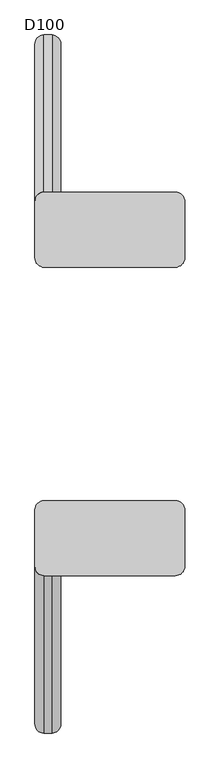
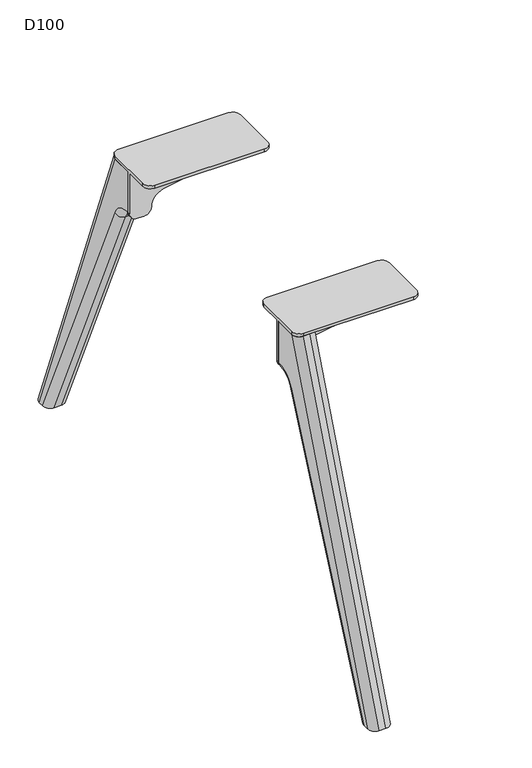
"""IFC4 building model written with IfcOpenShell, lengths in millimetres: furniture geometry, D100."""

from ifc_helpers import new_model, si_unit, point, frame, origin, place, context, project, spatial, polyline, circle_curve, ellipse_curve, trimmed, source, transform, mapped, element, save
from ifc_brep_helpers import plane_surface, cylinder_surface, revolved_surface, advanced_brep


def d100_ec76388d(model_context):
    return source(origin(), model_context, "Body", "AdvancedBrep", [
        advanced_brep(
        [(-2083.0, 202.7236545, 706.0), (-1855.0, 202.7236545, 706.0), (-1839.0, 218.7236545, 706.0), (-1839.0, 316.7236545, 706.0), (-1855.0, 332.7236545, 706.0), (-2083.0, 332.7236545, 706.0), (-2099.0, 316.7236545, 706.0), (-2099.0, 218.7236545, 706.0), (-2099.0, 316.7236545, 700.0), (-2083.0, 332.7236545, 700.0), (-1855.0, 332.7236545, 700.0), (-1839.0, 316.7236545, 700.0), (-1839.0, 270.7236545, 700.0), (-2099.0, 270.7236545, 700.0), (-2083.0, 202.7236545, 700.0), (-2099.0, 218.7236545, 700.0), (-2099.0, 264.7236545, 700.0), (-1839.0, 264.7236545, 700.0), (-1839.0, 218.7236545, 700.0), (-1855.0, 202.7236545, 700.0), (-2099.0, 270.7236545, 611.0), (-2099.0, 264.7236545, 611.0), (-1839.0, 264.7236545, 692.1898324), (-1839.0, 270.7236545, 692.1898324), (-2029.2740174, 270.7236545, 641.5327762), (-2054.0036896, 270.7236545, 611.3326759), (-2069.0, 270.7236545, 596.0), (-2084.0, 270.7236545, 596.0), (-1855.4913675, 270.7236545, 672.5), (-2029.2740174, 264.7236545, 641.5327762), (-1855.4913675, 264.7236545, 672.5), (-2084.0, 264.7236545, 596.0), (-2069.0, 264.7236545, 596.0), (-2054.0036896, 264.7236545, 611.3326759)],
        [
            (0, 1),
            (1, 2, circle_curve(frame((-1855.0, 218.7236545, 706.0), z_axis=(0.0, 0.0, 1.0), x_axis=(1.0, 0.0, 0.0)), 16.0)),
            (2, 3),
            (3, 4, circle_curve(frame((-1855.0, 316.7236545, 706.0), z_axis=(0.0, 0.0, 1.0), x_axis=(1.0, 0.0, 0.0)), 16.0)),
            (4, 5),
            (5, 6, circle_curve(frame((-2083.0, 316.7236545, 706.0), z_axis=(0.0, 0.0, 1.0), x_axis=(1.0, 0.0, 0.0)), 16.0)),
            (6, 7),
            (7, 0, circle_curve(frame((-2083.0, 218.7236545, 706.0), z_axis=(0.0, 0.0, 1.0), x_axis=(1.0, 0.0, 0.0)), 16.0)),
            (8, 9, circle_curve(frame((-2083.0, 316.7236545, 700.0), z_axis=(0.0, 0.0, -1.0), x_axis=(1.0, 0.0, 0.0)), 16.0)),
            (9, 10),
            (10, 11, circle_curve(frame((-1855.0, 316.7236545, 700.0), z_axis=(0.0, 0.0, -1.0), x_axis=(1.0, 0.0, 0.0)), 16.0)),
            (11, 12),
            (12, 13),
            (13, 8),
            (14, 15, circle_curve(frame((-2083.0, 218.7236545, 700.0), z_axis=(0.0, 0.0, -1.0), x_axis=(1.0, 0.0, 0.0)), 16.0)),
            (15, 16),
            (16, 17),
            (17, 18),
            (18, 19, circle_curve(frame((-1855.0, 218.7236545, 700.0), z_axis=(0.0, 0.0, -1.0), x_axis=(1.0, 0.0, 0.0)), 16.0)),
            (19, 14),
            (7, 15),
            (14, 0),
            (6, 8),
            (13, 20),
            (20, 21),
            (21, 16),
            (5, 9),
            (4, 10),
            (3, 11),
            (2, 18),
            (17, 22),
            (22, 23),
            (23, 12),
            (1, 19),
            (24, 25, circle_curve(frame((-2024.0110687, 270.7236545, 611.9980276), z_axis=(0.0, -1.0, 0.0), x_axis=(-1.0, 0.0, 0.0)), 30.0)),
            (25, 26, circle_curve(frame((-2069.0, 270.7236545, 611.0), z_axis=(0.0, 1.0, 0.0), x_axis=(-1.0, 0.0, 0.0)), 15.0)),
            (26, 27),
            (27, 20, circle_curve(frame((-2084.0, 270.7236545, 611.0), z_axis=(0.0, 1.0, 0.0), x_axis=(-1.0, 0.0, 0.0)), 15.0)),
            (23, 28, circle_curve(frame((-1859.0, 270.7236545, 692.1898324), z_axis=(0.0, 1.0, 0.0), x_axis=(-1.0, 0.0, 0.0)), 20.0)),
            (28, 24),
            (29, 30),
            (30, 22, circle_curve(frame((-1859.0, 264.7236545, 692.1898324), z_axis=(0.0, -1.0, 0.0), x_axis=(-1.0, 0.0, 0.0)), 20.0)),
            (21, 31, circle_curve(frame((-2084.0, 264.7236545, 611.0), z_axis=(0.0, -1.0, 0.0), x_axis=(-1.0, 0.0, 0.0)), 15.0)),
            (31, 32),
            (32, 33, circle_curve(frame((-2069.0, 264.7236545, 611.0), z_axis=(0.0, -1.0, 0.0), x_axis=(-1.0, 0.0, 0.0)), 15.0)),
            (33, 29, circle_curve(frame((-2024.0110687, 264.7236545, 611.9980276), z_axis=(0.0, 1.0, 0.0), x_axis=(-1.0, 0.0, 0.0)), 30.0)),
            (24, 29),
            (33, 25),
            (30, 28),
            (32, 26),
            (31, 27),
        ],
        [
            plane_surface(frame((-1855.0, 202.7236545, 706.0), z_axis=(0.0, 0.0, 1.0), x_axis=(1.0, 0.0, 0.0))),
            plane_surface(frame((-1855.0, 202.7236545, 700.0), z_axis=(0.0, 0.0, -1.0), x_axis=(-1.0, 0.0, 0.0))),
            cylinder_surface(frame((-2083.0, 218.7236545, 700.0), z_axis=(0.0, 0.0, 1.0), x_axis=(1.0, 0.0, 0.0)), 16.0),
            plane_surface(frame((-2099.0, 316.7236545, 706.0), z_axis=(-1.0, 0.0, 0.0), x_axis=(0.0, 0.0, -1.0))),
            cylinder_surface(frame((-2083.0, 316.7236545, 700.0), z_axis=(0.0, 0.0, 1.0), x_axis=(1.0, 0.0, 0.0)), 16.0),
            plane_surface(frame((-1855.0, 332.7236545, 706.0), z_axis=(0.0, 1.0, 0.0), x_axis=(0.0, 0.0, -1.0))),
            cylinder_surface(frame((-1855.0, 316.7236545, 700.0), z_axis=(0.0, 0.0, 1.0), x_axis=(1.0, 0.0, 0.0)), 16.0),
            plane_surface(frame((-1839.0, 218.7236545, 706.0), z_axis=(1.0, 0.0, 0.0), x_axis=(0.0, 0.0, -1.0))),
            cylinder_surface(frame((-1855.0, 218.7236545, 700.0), z_axis=(0.0, 0.0, 1.0), x_axis=(1.0, 0.0, 0.0)), 16.0),
            plane_surface(frame((-2083.0, 202.7236545, 706.0), z_axis=(0.0, -1.0, 0.0), x_axis=(0.0, 0.0, -1.0))),
            plane_surface(frame((-2054.0110687, 270.7236545, 611.9980276), z_axis=(0.0, 1.0, 0.0), x_axis=(0.0, 0.0, -1.0))),
            plane_surface(frame((-2054.0110687, 264.7236545, 611.9980276), z_axis=(0.0, -1.0, 0.0), x_axis=(0.0, 0.0, 1.0))),
            revolved_surface(polyline([(-2054.0110686999997, 264.7236545, 611.9980276), (-2054.0110686999997, 270.7236545, 611.9980276)]), (-2024.0110687, 264.7236545, 611.9980276), (0.0, -1.0, 0.0)),
            cylinder_surface(frame((-1859.0, 264.7236545, 692.1898324), z_axis=(0.0, 1.0, 0.0), x_axis=(-1.0, 0.0, 0.0)), 20.0),
            plane_surface(frame((-1855.4913675, 270.7236545, 672.5), z_axis=(0.17543162299465118, 0.0, -0.984491617868564), x_axis=(0.0, -1.0, 0.0))),
            cylinder_surface(frame((-2069.0, 264.7236545, 611.0), z_axis=(0.0, 1.0, 0.0), x_axis=(-1.0, 0.0, 0.0)), 15.0),
            plane_surface(frame((-2069.0, 270.7236545, 596.0), z_axis=(0.0, 0.0, -1.0), x_axis=(0.0, -1.0, 0.0))),
            cylinder_surface(frame((-2084.0, 264.7236545, 611.0), z_axis=(0.0, 1.0, 0.0), x_axis=(-1.0, 0.0, 0.0)), 15.0),
        ],
        [
            (0, [[1, 2, 3, 4, 5, 6, 7, 8]]),
            (1, [[9, 10, 11, 12, 13, 14]]),
            (1, [[15, 16, 17, 18, 19, 20]]),
            (2, [[-8, 21, -15, 22]]),
            (3, [[-21, -7, 23, -14, 24, 25, 26, -16]]),
            (4, [[-6, 27, -9, -23]]),
            (5, [[-5, 28, -10, -27]]),
            (6, [[-4, 29, -11, -28]]),
            (7, [[-29, -3, 30, -18, 31, 32, 33, -12]]),
            (8, [[-2, 34, -19, -30]]),
            (9, [[-1, -22, -20, -34]]),
            (10, [[35, 36, 37, 38, -24, -13, -33, 39, 40]]),
            (11, [[41, 42, -31, -17, -26, 43, 44, 45, 46]]),
            (12, [[-35, 47, -46, 48]]),
            (13, [[-39, -32, -42, 49]]),
            (14, [[-40, -49, -41, -47]]),
            (15, [[-36, -48, -45, 50]]),
            (16, [[-37, -50, -44, 51]]),
            (17, [[-38, -51, -43, -25]]),
        ],
    ),
        advanced_brep(
        [(-2054.0, 316.6217076, 700.0), (-2054.0, 270.7236545, 700.0), (-2054.0, 270.7236545, 611.0), (-2054.0, 272.7758244, 611.0), (-2054.0, 319.3435487, 580.82862), (-2054.0, 579.4203292, 0.0), (-2054.0, 589.8218305, 0.0), (-2099.0, 270.7236545, 700.0), (-2099.0, 316.6217076, 700.0), (-2099.0, 589.8218305, 0.0), (-2099.0, 579.4203292, 0.0), (-2099.0, 319.3435487, 580.82862), (-2099.0, 272.7758244, 611.0), (-2099.0, 270.7236545, 611.0), (-2069.0, 332.7236545, 700.0), (-2084.0, 332.7236545, 700.0), (-2069.0, 605.9237773, 0.0), (-2084.0, 605.9237773, 0.0), (-2069.0, 562.9852524, 0.0), (-2084.0, 562.9852524, 0.0), (-2069.0, 305.6533176, 574.6985653), (-2084.0, 305.6533176, 574.6985653), (-2069.0, 272.7758244, 596.0), (-2084.0, 272.7758244, 596.0), (-2069.0, 270.7236545, 596.0), (-2084.0, 270.7236545, 596.0)],
        [
            (0, 1),
            (1, 2),
            (2, 3),
            (3, 4, circle_curve(frame((-2054.0, 272.7758244, 559.9770583), z_axis=(-1.0, 0.0, 0.0), x_axis=(0.0, 0.0, 1.0)), 51.0229417)),
            (4, 5),
            (5, 6),
            (6, 0),
            (7, 8),
            (8, 9),
            (9, 10),
            (10, 11),
            (11, 12, circle_curve(frame((-2099.0, 272.7758244, 559.9770583), z_axis=(1.0, 0.0, 0.0), x_axis=(0.0, 0.0, 1.0)), 51.0229417)),
            (12, 13),
            (13, 7),
            (7, 1),
            (0, 14, ellipse_curve(frame((-2069.0, 316.6217076, 700.0), z_axis=(0.0, 0.0, 1.0), x_axis=(0.0, -1.0, 0.0)), 16.1019468, 15.0)),
            (14, 15),
            (15, 8, ellipse_curve(frame((-2084.0, 316.6217076, 700.0), z_axis=(0.0, 0.0, 1.0), x_axis=(0.0, -1.0, 0.0)), 16.1019468, 15.0)),
            (14, 16),
            (16, 17),
            (17, 15),
            (16, 6, ellipse_curve(frame((-2069.0, 589.8218305, 0.0), z_axis=(0.0, 0.0, -1.0), x_axis=(0.0, -0.9999999999999999, 0.0)), 16.1019468, 15.0)),
            (5, 18, ellipse_curve(frame((-2069.0, 579.4203292, 0.0), z_axis=(0.0, 0.0, -1.0), x_axis=(0.0, 1.0, 0.0)), 16.4350768, 15.0)),
            (18, 19),
            (19, 10, ellipse_curve(frame((-2084.0, 579.4203292, 0.0), z_axis=(0.0, 0.0, -1.0), x_axis=(0.0, 1.0, 0.0)), 16.4350768, 15.0)),
            (9, 17, ellipse_curve(frame((-2084.0, 589.8218305, 0.0), z_axis=(0.0, 0.0, -1.0), x_axis=(0.0, -0.9999999999999999, 0.0)), 16.1019468, 15.0)),
            (18, 20),
            (20, 21),
            (21, 19),
            (20, 22, circle_curve(frame((-2069.0, 272.7758244, 559.9770583), z_axis=(1.0, 0.0, 0.0), x_axis=(0.0, -1.0, 0.0)), 36.0229417)),
            (22, 23),
            (23, 21, circle_curve(frame((-2084.0, 272.7758244, 559.9770583), z_axis=(-1.0, 0.0, 0.0), x_axis=(0.0, -1.0, 0.0)), 36.0229417)),
            (22, 24),
            (24, 25),
            (25, 23),
            (13, 25, circle_curve(frame((-2084.0, 270.7236545, 611.0), z_axis=(0.0, -1.0, 0.0), x_axis=(0.0, 0.0, 1.0)), 15.0)),
            (24, 2, circle_curve(frame((-2069.0, 270.7236545, 611.0), z_axis=(0.0, -1.0, 0.0), x_axis=(0.0, 0.0, 1.0)), 15.0)),
            (12, 23, circle_curve(frame((-2084.0, 272.7758244, 611.0), z_axis=(0.0, -1.0, 0.0), x_axis=(0.0, 0.0, 1.0)), 15.0)),
            (22, 3, circle_curve(frame((-2069.0, 272.7758244, 611.0), z_axis=(0.0, -1.0, 0.0), x_axis=(0.0, 0.0, 1.0)), 15.0)),
            (21, 11, circle_curve(frame((-2084.0, 319.3435487, 580.82862), z_axis=(0.0, 0.4086703164969099, -0.9126820763082375), x_axis=(0.0, 0.9126820763082375, 0.4086703164969099)), 15.0)),
            (4, 20, circle_curve(frame((-2069.0, 319.3435487, 580.82862), z_axis=(0.0, 0.4086703164969099, -0.9126820763082375), x_axis=(0.0, 0.9126820763082375, 0.4086703164969099)), 15.0)),
        ],
        [
            plane_surface(frame((-2054.0, 270.7236545, 596.0), z_axis=(1.0, 0.0, 0.0), x_axis=(0.0, 0.0, -1.0))),
            plane_surface(frame((-2099.0, 270.7236545, 596.0), z_axis=(-1.0, 0.0, 0.0), x_axis=(0.0, 0.0, 1.0))),
            plane_surface(frame((-2054.0, 332.7236545, 700.0), z_axis=(0.0, 0.0, 1.0), x_axis=(-1.0, 0.0, 0.0))),
            plane_surface(frame((-2054.0, 605.9237773, 0.0), z_axis=(0.0, 0.9315643722265751, 0.3635764299265108), x_axis=(-1.0, 0.0, 0.0))),
            plane_surface(frame((-2054.0, 562.9852524, 0.0), z_axis=(0.0, 0.0, -1.0), x_axis=(-1.0, 0.0, 0.0))),
            plane_surface(frame((-2054.0, 305.6533176, 574.6985653), z_axis=(0.0, -0.9126820763082374, -0.40867031649691016), x_axis=(-1.0, 0.0, 0.0))),
            revolved_surface(polyline([(-2084.0, 236.7528827, 559.9770583), (-2069.0, 236.7528827, 559.9770583)]), (-2099.0, 272.7758244, 559.9770583), (-1.0, 0.0, 0.0)),
            plane_surface(frame((-2054.0, 270.7236545, 596.0), z_axis=(0.0, 0.0, -1.0), x_axis=(-1.0, 0.0, 0.0))),
            plane_surface(frame((-2054.0, 270.7236545, 700.0), z_axis=(0.0, -1.0, 0.0), x_axis=(-1.0, 0.0, 0.0))),
            cylinder_surface(frame((-2084.0, 599.6644228, -25.2189296), z_axis=(0.0, -0.3635764299265101, 0.9315643722265754), x_axis=(0.0, -0.9315643722265754, -0.3635764299265101)), 15.0),
            cylinder_surface(frame((-2069.0, 599.6644228, -25.2189296), z_axis=(0.0, -0.3635764299265101, 0.9315643722265754), x_axis=(0.0, -0.9315643722265754, -0.3635764299265101)), 15.0),
            cylinder_surface(frame((-2084.0, -272.7758244, 611.0), z_axis=(0.0, 1.0, 0.0), x_axis=(0.0, 0.0, 1.0)), 15.0),
            cylinder_surface(frame((-2069.0, -272.7758244, 611.0), z_axis=(0.0, 1.0, 0.0), x_axis=(0.0, 0.0, 1.0)), 15.0),
            cylinder_surface(frame((-2084.0, 319.3435487, 580.82862), z_axis=(0.0, 0.4086703164969099, -0.9126820763082375), x_axis=(0.0, 0.9126820763082375, 0.4086703164969099)), 15.0),
            cylinder_surface(frame((-2069.0, 319.3435487, 580.82862), z_axis=(0.0, 0.4086703164969099, -0.9126820763082375), x_axis=(0.0, 0.9126820763082375, 0.4086703164969099)), 15.0),
            revolved_surface(trimmed(ellipse_curve(frame((-2084.0, 272.7758244, 611.0), z_axis=(0.0, -1.0, 0.0), x_axis=(0.0, 0.0, 1.0)), 15.0, 15.0), [point((-2099.0, 272.7758244, 611.0))], [point((-2084.0, 272.7758244, 596.0))], True, "CARTESIAN"), (-1317.0, 272.7758244, 559.9770583), (-1.0, 0.0, 0.0)),
            revolved_surface(trimmed(ellipse_curve(frame((-2069.0, 272.7758244, 611.0), z_axis=(0.0, -1.0, 0.0), x_axis=(0.0, 0.0, 1.0)), 15.0, 15.0), [point((-2069.0, 272.7758244, 596.0))], [point((-2054.0, 272.7758244, 611.0))], True, "CARTESIAN"), (-1317.0, 272.7758244, 559.9770583), (-1.0, 0.0, 0.0)),
        ],
        [
            (0, [[1, 2, 3, 4, 5, 6, 7]]),
            (1, [[8, 9, 10, 11, 12, 13, 14]]),
            (2, [[15, -1, 16, 17, 18, -8]]),
            (3, [[-17, 19, 20, 21]]),
            (4, [[-20, 22, -6, 23, 24, 25, -10, 26]]),
            (5, [[-24, 27, 28, 29]]),
            (6, [[-28, 30, 31, 32]]),
            (7, [[-31, 33, 34, 35]]),
            (8, [[-15, -14, 36, -34, 37, -2]]),
            (9, [[-9, -18, -21, -26]]),
            (10, [[-7, -22, -19, -16]]),
            (11, [[38, -35, -36, -13]]),
            (12, [[39, -3, -37, -33]]),
            (13, [[40, -11, -25, -29]]),
            (14, [[41, -27, -23, -5]]),
            (15, [[-38, -12, -40, -32]]),
            (16, [[-39, -30, -41, -4]]),
        ],
    ),
        advanced_brep(
        [(-2029.2740174, -270.7236545, 641.5327762), (-1855.4913675, -270.7236545, 672.5), (-1839.0, -270.7236545, 692.1898324), (-1839.0, -270.7236545, 700.0), (-2099.0, -270.7236545, 700.0), (-2099.0, -270.7236545, 611.0), (-2084.0, -270.7236545, 596.0), (-2069.0, -270.7236545, 596.0), (-2054.0036896, -270.7236545, 611.3326759), (-2029.2740174, -264.7236545, 641.5327762), (-2054.0036896, -264.7236545, 611.3326759), (-2069.0, -264.7236545, 596.0), (-2084.0, -264.7236545, 596.0), (-2099.0, -264.7236545, 611.0), (-2099.0, -264.7236545, 700.0), (-1839.0, -264.7236545, 700.0), (-1839.0, -264.7236545, 692.1898324), (-1855.4913675, -264.7236545, 672.5), (-2099.0, -218.7236545, 706.0), (-2099.0, -218.7236545, 700.0), (-2099.0, -316.7236545, 700.0), (-2099.0, -316.7236545, 706.0), (-2083.0, -332.7236545, 706.0), (-1855.0, -332.7236545, 706.0), (-1839.0, -316.7236545, 706.0), (-1839.0, -218.7236545, 706.0), (-1855.0, -202.7236545, 706.0), (-2083.0, -202.7236545, 706.0), (-1839.0, -316.7236545, 700.0), (-1839.0, -218.7236545, 700.0), (-2083.0, -202.7236545, 700.0), (-1855.0, -202.7236545, 700.0), (-1855.0, -332.7236545, 700.0), (-2083.0, -332.7236545, 700.0)],
        [
            (0, 1),
            (1, 2, circle_curve(frame((-1859.0, -270.7236545, 692.1898324), z_axis=(0.0, -1.0, 0.0), x_axis=(-1.0, 0.0, 0.0)), 20.0)),
            (2, 3),
            (3, 4),
            (4, 5),
            (5, 6, circle_curve(frame((-2084.0, -270.7236545, 611.0), z_axis=(0.0, -1.0, 0.0), x_axis=(-1.0, 0.0, 0.0)), 15.0)),
            (6, 7),
            (7, 8, circle_curve(frame((-2069.0, -270.7236545, 611.0), z_axis=(0.0, -1.0, 0.0), x_axis=(-1.0, 0.0, 0.0)), 15.0)),
            (8, 0, circle_curve(frame((-2024.0110687, -270.7236545, 611.9980276), z_axis=(0.0, 1.0, 0.0), x_axis=(-1.0, 0.0, 0.0)), 30.0)),
            (9, 10, circle_curve(frame((-2024.0110687, -264.7236545, 611.9980276), z_axis=(0.0, -1.0, 0.0), x_axis=(-1.0, 0.0, 0.0)), 30.0)),
            (10, 11, circle_curve(frame((-2069.0, -264.7236545, 611.0), z_axis=(0.0, 1.0, 0.0), x_axis=(-1.0, 0.0, 0.0)), 15.0)),
            (11, 12),
            (12, 13, circle_curve(frame((-2084.0, -264.7236545, 611.0), z_axis=(0.0, 1.0, 0.0), x_axis=(-1.0, 0.0, 0.0)), 15.0)),
            (13, 14),
            (14, 15),
            (15, 16),
            (16, 17, circle_curve(frame((-1859.0, -264.7236545, 692.1898324), z_axis=(0.0, 1.0, 0.0), x_axis=(-1.0, 0.0, 0.0)), 20.0)),
            (17, 9),
            (8, 10),
            (9, 0),
            (18, 19),
            (19, 14),
            (13, 5),
            (4, 20),
            (20, 21),
            (21, 18),
            (21, 22, circle_curve(frame((-2083.0, -316.7236545, 706.0), z_axis=(0.0, 0.0, 1.0), x_axis=(1.0, 0.0, 0.0)), 16.0)),
            (22, 23),
            (23, 24, circle_curve(frame((-1855.0, -316.7236545, 706.0), z_axis=(0.0, 0.0, 1.0), x_axis=(1.0, 0.0, 0.0)), 16.0)),
            (24, 25),
            (25, 26, circle_curve(frame((-1855.0, -218.7236545, 706.0), z_axis=(0.0, 0.0, 1.0), x_axis=(1.0, 0.0, 0.0)), 16.0)),
            (26, 27),
            (27, 18, circle_curve(frame((-2083.0, -218.7236545, 706.0), z_axis=(0.0, 0.0, 1.0), x_axis=(1.0, 0.0, 0.0)), 16.0)),
            (24, 28),
            (28, 3),
            (2, 16),
            (15, 29),
            (29, 25),
            (1, 17),
            (7, 11),
            (6, 12),
            (30, 31),
            (31, 29, circle_curve(frame((-1855.0, -218.7236545, 700.0), z_axis=(0.0, 0.0, -1.0), x_axis=(1.0, 0.0, 0.0)), 16.0)),
            (19, 30, circle_curve(frame((-2083.0, -218.7236545, 700.0), z_axis=(0.0, 0.0, -1.0), x_axis=(1.0, 0.0, 0.0)), 16.0)),
            (28, 32, circle_curve(frame((-1855.0, -316.7236545, 700.0), z_axis=(0.0, 0.0, -1.0), x_axis=(1.0, 0.0, 0.0)), 16.0)),
            (32, 33),
            (33, 20, circle_curve(frame((-2083.0, -316.7236545, 700.0), z_axis=(0.0, 0.0, -1.0), x_axis=(1.0, 0.0, 0.0)), 16.0)),
            (27, 30),
            (33, 22),
            (32, 23),
            (31, 26),
        ],
        [
            plane_surface(frame((-1855.4913675, -270.7236545, 672.5), z_axis=(0.0, -1.0, 0.0), x_axis=(0.9844916178685641, 0.0, 0.17543162299465065))),
            plane_surface(frame((-1855.4913675, -264.7236545, 672.5), z_axis=(0.0, 1.0, 0.0), x_axis=(-0.9844916178685641, 0.0, -0.17543162299465065))),
            revolved_surface(polyline([(-2054.0110686999997, -264.7236545, 611.9980276), (-2054.0110686999997, -270.7236545, 611.9980276)]), (-2024.0110687, -264.7236545, 611.9980276), (0.0, 1.0, 0.0)),
            plane_surface(frame((-2099.0, -270.7236545, 706.0), z_axis=(-1.0, 0.0, 0.0), x_axis=(0.0, 1.0, 0.0))),
            plane_surface(frame((-1839.0, -270.7236545, 706.0), z_axis=(0.0, 0.0, 1.0), x_axis=(0.0, 1.0, 0.0))),
            plane_surface(frame((-1839.0, -270.7236545, 692.1898324), z_axis=(1.0, 0.0, 0.0), x_axis=(0.0, 1.0, 0.0))),
            cylinder_surface(frame((-1859.0, -264.7236545, 692.1898324), z_axis=(0.0, -1.0, 0.0), x_axis=(-1.0, 0.0, 0.0)), 20.0),
            plane_surface(frame((-2029.2740174, -270.7236545, 641.5327762), z_axis=(0.17543162299465065, 0.0, -0.9844916178685641), x_axis=(0.0, 1.0, 0.0))),
            cylinder_surface(frame((-2069.0, -264.7236545, 611.0), z_axis=(0.0, -1.0, 0.0), x_axis=(-1.0, 0.0, 0.0)), 15.0),
            plane_surface(frame((-2084.0, -270.7236545, 596.0), z_axis=(0.0, 0.0, -1.0), x_axis=(0.0, 1.0, 0.0))),
            cylinder_surface(frame((-2084.0, -264.7236545, 611.0), z_axis=(0.0, -1.0, 0.0), x_axis=(-1.0, 0.0, 0.0)), 15.0),
            plane_surface(frame((-2067.0, -218.7236545, 700.0), z_axis=(0.0, 0.0, -1.0), x_axis=(0.0, -1.0, 0.0))),
            cylinder_surface(frame((-2083.0, -218.7236545, 700.0), z_axis=(0.0, 0.0, 1.0), x_axis=(1.0, 0.0, 0.0)), 16.0),
            cylinder_surface(frame((-2083.0, -316.7236545, 700.0), z_axis=(0.0, 0.0, 1.0), x_axis=(1.0, 0.0, 0.0)), 16.0),
            plane_surface(frame((-2083.0, -332.7236545, 706.0), z_axis=(0.0, -1.0, 0.0), x_axis=(0.0, 0.0, -1.0))),
            cylinder_surface(frame((-1855.0, -316.7236545, 700.0), z_axis=(0.0, 0.0, 1.0), x_axis=(1.0, 0.0, 0.0)), 16.0),
            cylinder_surface(frame((-1855.0, -218.7236545, 700.0), z_axis=(0.0, 0.0, 1.0), x_axis=(1.0, 0.0, 0.0)), 16.0),
            plane_surface(frame((-1855.0, -202.7236545, 706.0), z_axis=(0.0, 1.0, 0.0), x_axis=(0.0, 0.0, -1.0))),
        ],
        [
            (0, [[1, 2, 3, 4, 5, 6, 7, 8, 9]]),
            (1, [[10, 11, 12, 13, 14, 15, 16, 17, 18]]),
            (2, [[-9, 19, -10, 20]]),
            (3, [[21, 22, -14, 23, -5, 24, 25, 26]]),
            (4, [[-26, 27, 28, 29, 30, 31, 32, 33]]),
            (5, [[-30, 34, 35, -3, 36, -16, 37, 38]]),
            (6, [[-2, 39, -17, -36]]),
            (7, [[-1, -20, -18, -39]]),
            (8, [[-8, 40, -11, -19]]),
            (9, [[-7, 41, -12, -40]]),
            (10, [[-6, -23, -13, -41]]),
            (11, [[42, 43, -37, -15, -22, 44]]),
            (11, [[45, 46, 47, -24, -4, -35]]),
            (12, [[-33, 48, -44, -21]]),
            (13, [[-27, -25, -47, 49]]),
            (14, [[-28, -49, -46, 50]]),
            (15, [[-29, -50, -45, -34]]),
            (16, [[-31, -38, -43, 51]]),
            (17, [[-32, -51, -42, -48]]),
        ],
    ),
        advanced_brep(
        [(-2054.0, -270.7236545, 700.0), (-2054.0, -316.6217076, 700.0), (-2054.0, -589.8218305, 0.0), (-2054.0, -579.4203292, 0.0), (-2054.0, -319.3435487, 580.82862), (-2054.0, -272.7758244, 611.0), (-2054.0, -270.7236545, 611.0), (-2099.0, -316.6217076, 700.0), (-2099.0, -270.7236545, 700.0), (-2099.0, -270.7236545, 611.0), (-2099.0, -272.7758244, 611.0), (-2099.0, -319.3435487, 580.82862), (-2099.0, -579.4203292, 0.0), (-2099.0, -589.8218305, 0.0), (-2084.0, -332.7236545, 700.0), (-2069.0, -332.7236545, 700.0), (-2084.0, -605.9237773, 0.0), (-2069.0, -605.9237773, 0.0), (-2084.0, -562.9852524, 0.0), (-2069.0, -562.9852524, 0.0), (-2084.0, -305.6533176, 574.6985653), (-2069.0, -305.6533176, 574.6985653), (-2084.0, -272.7758244, 596.0), (-2069.0, -272.7758244, 596.0), (-2084.0, -270.7236545, 596.0), (-2069.0, -270.7236545, 596.0)],
        [
            (0, 1),
            (1, 2),
            (2, 3),
            (3, 4),
            (4, 5, circle_curve(frame((-2054.0, -272.7758244, 559.9770583), z_axis=(-1.0, 0.0, 0.0), x_axis=(0.0, -0.9126820763082378, 0.4086703164969091)), 51.0229417)),
            (5, 6),
            (6, 0),
            (7, 8),
            (8, 9),
            (9, 10),
            (10, 11, circle_curve(frame((-2099.0, -272.7758244, 559.9770583), z_axis=(1.0, 0.0, 0.0), x_axis=(0.0, -0.9126820763082378, 0.4086703164969091)), 51.0229417)),
            (11, 12),
            (12, 13),
            (13, 7),
            (0, 8),
            (7, 14, ellipse_curve(frame((-2084.0, -316.6217076, 700.0), z_axis=(0.0, 0.0, 1.0), x_axis=(0.0, 1.0, 0.0)), 16.1019468, 15.0)),
            (14, 15),
            (15, 1, ellipse_curve(frame((-2069.0, -316.6217076, 700.0), z_axis=(0.0, 0.0, 1.0), x_axis=(0.0, 1.0, 0.0)), 16.1019468, 15.0)),
            (13, 16, ellipse_curve(frame((-2084.0, -589.8218305, 0.0), z_axis=(0.0, 0.0, 1.0), x_axis=(0.0, 0.9999999999999999, 0.0)), 16.1019468, 15.0)),
            (16, 14),
            (15, 17),
            (17, 2, ellipse_curve(frame((-2069.0, -589.8218305, 0.0), z_axis=(0.0, 0.0, 1.0), x_axis=(0.0, 0.9999999999999999, 0.0)), 16.1019468, 15.0)),
            (16, 17),
            (12, 18, ellipse_curve(frame((-2084.0, -579.4203292, 0.0), z_axis=(0.0, 0.0, -1.0), x_axis=(0.0, 1.0, 0.0)), 16.4350768, 15.0)),
            (18, 19),
            (19, 3, ellipse_curve(frame((-2069.0, -579.4203292, 0.0), z_axis=(0.0, 0.0, -1.0), x_axis=(0.0, 1.0, 0.0)), 16.4350768, 15.0)),
            (18, 20),
            (20, 21),
            (21, 19),
            (20, 22, circle_curve(frame((-2084.0, -272.7758244, 559.9770583), z_axis=(-1.0, 0.0, 0.0), x_axis=(0.0, 1.0, 0.0)), 36.0229417)),
            (22, 23),
            (23, 21, circle_curve(frame((-2069.0, -272.7758244, 559.9770583), z_axis=(1.0, 0.0, 0.0), x_axis=(0.0, 1.0, 0.0)), 36.0229417)),
            (22, 24),
            (24, 25),
            (25, 23),
            (6, 25, circle_curve(frame((-2069.0, -270.7236545, 611.0), z_axis=(0.0, 1.0, 0.0), x_axis=(0.0, 0.0, 1.0)), 15.0)),
            (24, 9, circle_curve(frame((-2084.0, -270.7236545, 611.0), z_axis=(0.0, 1.0, 0.0), x_axis=(0.0, 0.0, 1.0)), 15.0)),
            (11, 20, circle_curve(frame((-2084.0, -319.3435487, 580.82862), z_axis=(0.0, -0.40867031649690977, -0.9126820763082376), x_axis=(0.0, -0.9126820763082376, 0.40867031649690977)), 15.0)),
            (21, 4, circle_curve(frame((-2069.0, -319.3435487, 580.82862), z_axis=(0.0, -0.40867031649690977, -0.9126820763082376), x_axis=(0.0, -0.9126820763082376, 0.40867031649690977)), 15.0)),
            (22, 10, circle_curve(frame((-2084.0, -272.7758244, 611.0), z_axis=(0.0, 1.0, 0.0), x_axis=(0.0, 0.0, 1.0)), 15.0)),
            (5, 23, circle_curve(frame((-2069.0, -272.7758244, 611.0), z_axis=(0.0, 1.0, 0.0), x_axis=(0.0, 0.0, 1.0)), 15.0)),
        ],
        [
            plane_surface(frame((-2054.0, -291.5455549, 700.0), z_axis=(1.0, 0.0, 0.0), x_axis=(0.0, -1.0, 0.0))),
            plane_surface(frame((-2099.0, -291.5455549, 700.0), z_axis=(-1.0, 0.0, 0.0), x_axis=(0.0, 1.0, 0.0))),
            plane_surface(frame((-2054.0, -270.7236545, 700.0), z_axis=(0.0, 0.0, 1.0), x_axis=(-1.0, 0.0, 0.0))),
            cylinder_surface(frame((-2084.0, -599.6644228, -25.2189296), z_axis=(0.0, 0.3635764299265101, 0.9315643722265754), x_axis=(0.0, -0.9315643722265754, 0.3635764299265101)), 15.0),
            cylinder_surface(frame((-2069.0, -599.6644228, -25.2189296), z_axis=(0.0, 0.3635764299265101, 0.9315643722265754), x_axis=(0.0, -0.9315643722265754, 0.3635764299265101)), 15.0),
            plane_surface(frame((-2054.0, -332.7236545, 700.0), z_axis=(0.0, -0.9315643722265751, 0.3635764299265108), x_axis=(-1.0, 0.0, 0.0))),
            plane_surface(frame((-2054.0, -605.9237773, 0.0), z_axis=(0.0, 0.0, -1.0), x_axis=(-1.0, 0.0, 0.0))),
            plane_surface(frame((-2054.0, -562.9852524, 0.0), z_axis=(0.0, 0.9126820763082374, -0.40867031649691016), x_axis=(-1.0, 0.0, 0.0))),
            revolved_surface(polyline([(-2084.0, -236.7528827, 559.9770583), (-2069.0, -236.7528827, 559.9770583)]), (-2099.0, -272.7758244, 559.9770583), (-1.0, 0.0, 0.0)),
            plane_surface(frame((-2054.0, -272.7758244, 596.0), z_axis=(0.0, 0.0, -1.0), x_axis=(-1.0, 0.0, 0.0))),
            plane_surface(frame((-2054.0, -270.7236545, 596.0), z_axis=(0.0, 1.0, 0.0), x_axis=(-1.0, 0.0, 0.0))),
            cylinder_surface(frame((-2084.0, -584.7803586, -11.9705362), z_axis=(0.0, 0.40867031649690977, 0.9126820763082376), x_axis=(0.0, -0.9126820763082376, 0.40867031649690977)), 15.0),
            cylinder_surface(frame((-2069.0, -584.7803586, -11.9705362), z_axis=(0.0, 0.40867031649690977, 0.9126820763082376), x_axis=(0.0, -0.9126820763082376, 0.40867031649690977)), 15.0),
            cylinder_surface(frame((-2084.0, -272.7758244, 611.0), z_axis=(0.0, 1.0, 0.0), x_axis=(0.0, 0.0, 1.0)), 15.0),
            cylinder_surface(frame((-2069.0, -272.7758244, 611.0), z_axis=(0.0, 1.0, 0.0), x_axis=(0.0, 0.0, 1.0)), 15.0),
            revolved_surface(trimmed(ellipse_curve(frame((-2084.0, -319.3435487, 580.82862), z_axis=(0.0, -0.4086703164969089, -0.9126820763082379), x_axis=(0.0, -0.9126820763082379, 0.4086703164969089)), 15.0, 15.0), [point((-2099.0, -319.3435487, 580.82862))], [point((-2084.0, -305.6533176, 574.6985653))], True, "CARTESIAN"), (-1317.0, -272.7758244, 559.9770583), (-1.0, 0.0, 0.0)),
            revolved_surface(trimmed(ellipse_curve(frame((-2069.0, -319.3435487, 580.82862), z_axis=(0.0, -0.4086703164969089, -0.9126820763082379), x_axis=(0.0, -0.9126820763082379, 0.4086703164969089)), 15.0, 15.0), [point((-2069.0, -305.6533176, 574.6985653))], [point((-2054.0, -319.3435487, 580.82862))], True, "CARTESIAN"), (-1317.0, -272.7758244, 559.9770583), (-1.0, 0.0, 0.0)),
        ],
        [
            (0, [[1, 2, 3, 4, 5, 6, 7]]),
            (1, [[8, 9, 10, 11, 12, 13, 14]]),
            (2, [[15, -8, 16, 17, 18, -1]]),
            (3, [[-14, 19, 20, -16]]),
            (4, [[-2, -18, 21, 22]]),
            (5, [[-17, -20, 23, -21]]),
            (6, [[-23, -19, -13, 24, 25, 26, -3, -22]]),
            (7, [[-25, 27, 28, 29]]),
            (8, [[-28, 30, 31, 32]]),
            (9, [[-31, 33, 34, 35]]),
            (10, [[-15, -7, 36, -34, 37, -9]]),
            (11, [[38, -27, -24, -12]]),
            (12, [[39, -4, -26, -29]]),
            (13, [[40, -10, -37, -33]]),
            (14, [[41, -35, -36, -6]]),
            (15, [[-38, -11, -40, -30]]),
            (16, [[-39, -32, -41, -5]]),
        ],
    ),
    ])


if __name__ == "__main__":
    model = new_model("IFC4")
    model_context = context("Model", 3, world=origin())
    ifc_project = project(units=[si_unit("LENGTHUNIT", "METRE", prefix="MILLI")], contexts=[model_context])
    site = spatial("IfcSite", under=ifc_project)
    building = spatial("IfcBuilding", under=site)
    placement = place(None, origin())
    d100_shape = d100_ec76388d(model_context)
    element("IfcFurniture", 1, ObjectType="D100", at=placement, inside=building, context=model_context, shape_type="MappedRepresentation", body=[
        mapped(d100_shape, transform((0.0, 0.0, 0.0), x_axis=(1.0, 0.0, 0.0), y_axis=(0.0, 1.0, 0.0), z_axis=(0.0, 0.0, 1.0))),
    ])
    save(model, "model.ifc")
